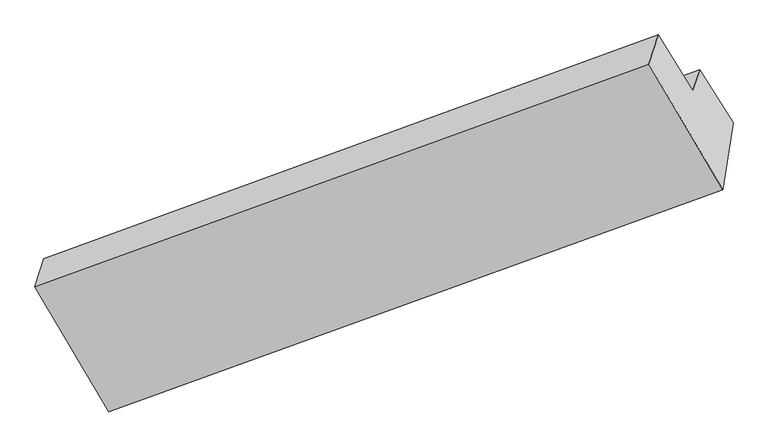
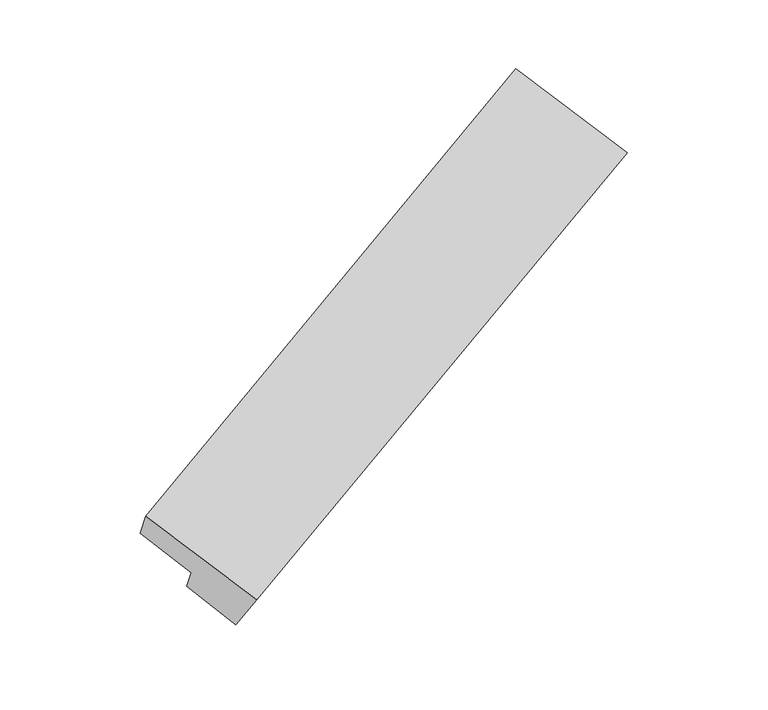
"""IFC4 building model written with IfcOpenShell, lengths in millimetres: proxy geometry."""

from ifc_helpers import new_model, si_unit, frame, origin, place, context, project, spatial, source, transform, mapped, element, save
from ifc_brep_helpers import plane_surface, spline_surface, advanced_brep


def generic_models_2dc5d546(model_context):
    return source(origin(), model_context, "Body", "AdvancedBrep", [
        advanced_brep(
        [(-5392.0634825, -3378.4585602, 766.1725448), (-5296.9793237, -2776.448954, 52.8573584), (316.0890165, -738.3759224, 2516.3958853), (221.6179903, -1349.6550689, 3235.931979), (-6064.6458439, -2234.0881576, 1366.6757487), (-453.272638, -201.357248, 3838.4960781), (-5983.5679014, -1978.5755027, 970.5587519), (-368.804427, 64.839651, 3425.8154763), (-5666.2665621, -2489.2696764, 663.2530921), (-51.5030876, -445.8545227, 3118.5098165), (-5602.9516214, -2289.73614, 353.9195868), (10.1167187, -251.6631084, 2817.4581137)],
        [
            (0, 1),
            (1, 2),
            (2, 3),
            (3, 0),
            (4, 0),
            (3, 5),
            (5, 4),
            (6, 4),
            (5, 7),
            (7, 6),
            (8, 6),
            (7, 9),
            (9, 8),
            (10, 8),
            (9, 11),
            (11, 10),
            (1, 10),
            (11, 2),
        ],
        [
            spline_surface(1, 1, [[(-5392.0634825, -3378.4585602, 766.1725448), (221.6179903, -1349.6550689, 3235.931979)], [(-5296.9793237, -2776.448954, 52.8573584), (316.0890165, -738.3759224, 2516.3958853)]], [2, 2], [2, 2], [0.0, 1.0], [0.0, 1.0]),
            plane_surface(frame((-5728.3546632, -2806.2733589, 1066.4241468), z_axis=(-0.17086112437900955, -0.5346952667534284, 0.8275913531975917), x_axis=(0.46165338365346725, -0.7854836802812537, -0.4121790161727328))),
            plane_surface(frame((-6024.1068726, -2106.3318301, 1168.6172503), z_axis=(-0.46501965214749386, 0.7842685450880487, 0.41070618731898767), x_axis=(-0.16951342872925299, -0.5342122026572141, 0.8281802460893282))),
            plane_surface(frame((-5824.9172317, -2233.9225895, 816.905922), z_axis=(0.14350348849231462, 0.5741918149243218, -0.8060462198065628), x_axis=(-0.46992114649266603, 0.7563346316398035, 0.4551176123391637))),
            plane_surface(frame((-5634.6090918, -2389.5029082, 508.5863394), z_axis=(-0.4650196521474941, 0.784268545088048, 0.4107061873189887), x_axis=(-0.1695134287292528, -0.5342122026572153, 0.8281802460893275))),
            plane_surface(frame((-5449.9654726, -2533.092547, 203.3884726), z_axis=(0.13965450098179774, 0.5829163234932873, -0.8004406162611906), x_axis=(-0.47148221632232556, 0.7499908911127774, 0.46391613783058905))),
            plane_surface(frame((-54.2927379, -487.0110366, 3158.7678915), z_axis=(0.8707131277532012, 0.31246233460040534, 0.3797709028010202), x_axis=(-0.46992114649266603, 0.7563346316398035, 0.4551176123391637))),
            plane_surface(frame((-5667.7457892, -2524.4294985, 695.5728471), z_axis=(-0.8707131277531988, -0.3124623346004059, -0.37977090280102554), x_axis=(-0.10134421326484347, -0.6416441042464343, 0.7602777084220746))),
        ],
        [
            (0, [[1, 2, 3, 4]]),
            (1, [[5, -4, 6, 7]]),
            (2, [[8, -7, 9, 10]]),
            (3, [[11, -10, 12, 13]]),
            (4, [[14, -13, 15, 16]]),
            (5, [[17, -16, 18, -2]]),
            (6, [[-12, -9, -6, -3, -18, -15]]),
            (7, [[-1, -5, -8, -11, -14, -17]]),
        ],
    ),
    ])


if __name__ == "__main__":
    model = new_model("IFC4")
    model_context = context("Model", 3, world=origin())
    ifc_project = project(units=[si_unit("LENGTHUNIT", "METRE", prefix="MILLI")], contexts=[model_context])
    site = spatial("IfcSite", under=ifc_project)
    building = spatial("IfcBuilding", under=site)
    placement = place(None, origin())
    generic_models_shape = generic_models_2dc5d546(model_context)
    element("IfcBuildingElementProxy", 1, Name="Generic Models", at=placement, inside=building, context=model_context, shape_type="MappedRepresentation", body=[
        mapped(generic_models_shape, transform((0.0, 0.0, 0.0), x_axis=(1.0, 0.0, 0.0), y_axis=(0.0, 1.0, 0.0), z_axis=(0.0, 0.0, 1.0))),
    ])
    save(model, "model.ifc")
